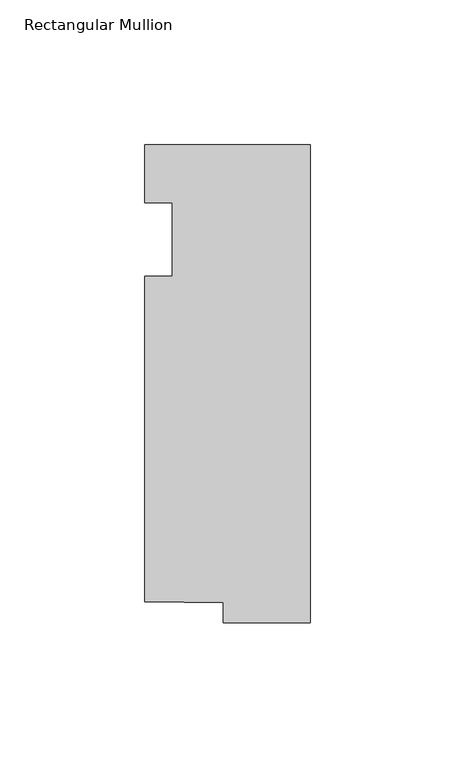
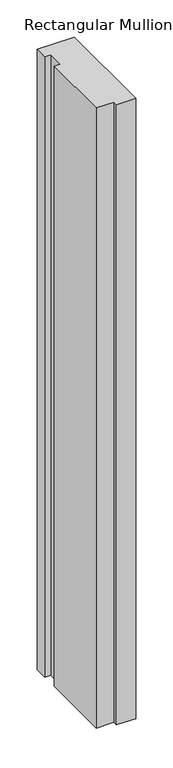
"""IFC4 building model written with IfcOpenShell, lengths in millimetres: member geometry, Rectangular Mullion."""

from ifc_helpers import new_model, si_unit, frame, origin, place, context, project, spatial, polyline, outline, extrude, source, transform, mapped, element, save


def rectangular_mullion_80c2f9b6(model_context):
    return source(origin(), model_context, "Body", "SweptSolid", [
        extrude(outline(polyline([(-57.15, 20.0421875), (0.0, 20.0421875), (0.0, -145.0578125), (-30.0959106, -145.0578125), (-30.0959106, -138.1373866), (-57.15, -137.7430215), (-57.15, -25.4), (-47.625, -25.4), (-47.625, 0.0), (-57.15, 0.0), (-57.15, 20.0421875)])), frame((0.0, 0.0, -1016.0), z_axis=(0.0, 0.0, 1.0), x_axis=(1.0, 0.0, 0.0)), (0.0, 0.0, 1.0), 1016.0),
    ])


if __name__ == "__main__":
    model = new_model("IFC4")
    model_context = context("Model", 3, world=origin())
    ifc_project = project(units=[si_unit("LENGTHUNIT", "METRE", prefix="MILLI")], contexts=[model_context])
    site = spatial("IfcSite", under=ifc_project)
    building = spatial("IfcBuilding", under=site)
    placement = place(None, origin())
    rectangular_mullion_shape = rectangular_mullion_80c2f9b6(model_context)
    element("IfcMember", 1, ObjectType="Rectangular Mullion", at=placement, inside=building, context=model_context, shape_type="MappedRepresentation", body=[
        mapped(rectangular_mullion_shape, transform((0.0, 0.0, 0.0), x_axis=(1.0, 0.0, 0.0), y_axis=(0.0, 1.0, 0.0), z_axis=(0.0, 0.0, 1.0))),
    ])
    save(model, "model.ifc")
